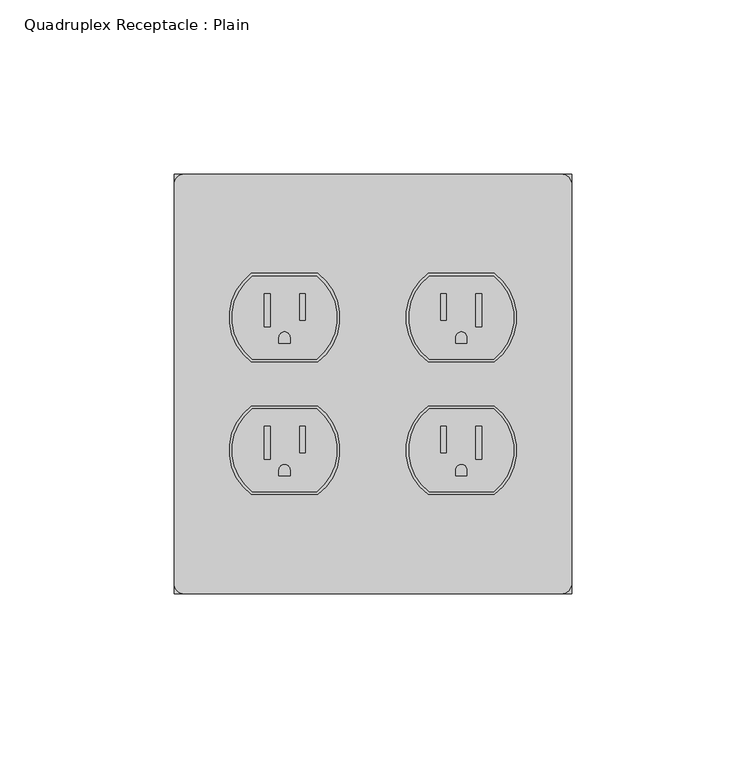
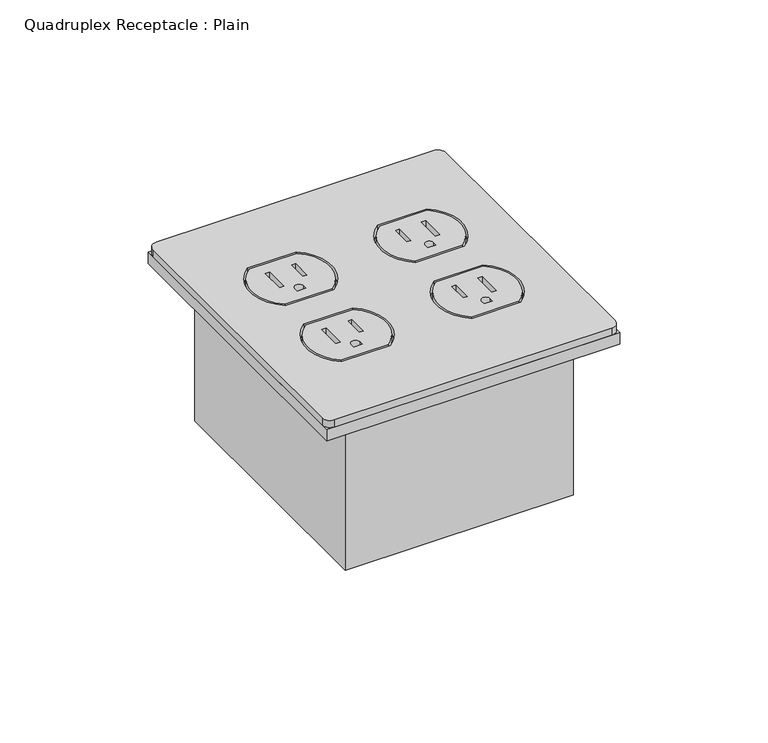
"""IFC4 building model written with IfcOpenShell, lengths in millimetres: proxy geometry, Quadruplex Receptacle : Plain."""

from ifc_helpers import new_model, si_unit, point, frame, frame_2d, origin, origin_with_axes, place, context, project, spatial, polyline, circle_curve, trimmed, segment, composite_curve, outline, extrude, source, transform, mapped, element, save


def quadruplex_receptacle_plain_eb53abe8(model_context):
    return source(origin(), model_context, "Body", "SweptSolid", [
        extrude(outline(composite_curve([segment(polyline([(16.1433639, -29.36875), (34.6566361, -29.36875)]), True, "CONTINUOUS"), segment(trimmed(circle_curve(frame_2d((25.4, -41.275)), 15.08125), [point((34.6566361, -29.36875))], [point((34.6566361, -53.18125))], False, "CARTESIAN"), True, "CONTINUOUS"), segment(polyline([(34.6566361, -53.18125), (16.1433639, -53.18125)]), True, "CONTINUOUS"), segment(trimmed(circle_curve(frame_2d((25.4, -41.275)), 15.08125), [point((16.1433639, -53.18125))], [point((16.1433639, -29.36875))], False, "CARTESIAN"), True, "CONTINUOUS")], self_intersect=False), holes=[polyline([(29.5419571, -34.3585778), (29.5419571, -43.8730246), (31.2300041, -43.8730246), (31.2300041, -34.3585778), (29.5419571, -34.3585778)]), polyline([(19.4904045, -34.3585778), (19.4904045, -42.0315188), (21.0249927, -42.0315188), (21.0249927, -34.3585778), (19.4904045, -34.3585778)]), composite_curve([segment(polyline([(23.8125, -48.626489), (26.9875, -48.626489), (26.9875, -46.9479736)]), True, "CONTINUOUS"), segment(trimmed(circle_curve(frame_2d((25.4, -46.9479736)), 1.5875), [point((26.9875, -46.9479736))], [point((23.8125, -46.9479736))], True, "CARTESIAN"), True, "CONTINUOUS"), segment(polyline([(23.8125, -46.9479736), (23.8125, -48.626489)]), True, "CONTINUOUS")], self_intersect=False)]), origin_with_axes(), (0.0, 0.0, 1.0), 2.9176759),
        extrude(outline(composite_curve([segment(polyline([(16.1433639, -67.46875), (34.6566361, -67.46875)]), True, "CONTINUOUS"), segment(trimmed(circle_curve(frame_2d((25.4, -79.375)), 15.08125), [point((34.6566361, -67.46875))], [point((34.6566361, -91.28125))], False, "CARTESIAN"), True, "CONTINUOUS"), segment(polyline([(34.6566361, -91.28125), (16.1433639, -91.28125)]), True, "CONTINUOUS"), segment(trimmed(circle_curve(frame_2d((25.4, -79.375)), 15.08125), [point((16.1433639, -91.28125))], [point((16.1433639, -67.46875))], False, "CARTESIAN"), True, "CONTINUOUS")], self_intersect=False), holes=[polyline([(29.5419571, -72.4585778), (29.5419571, -81.9730246), (31.2300041, -81.9730246), (31.2300041, -72.4585778), (29.5419571, -72.4585778)]), polyline([(19.4904045, -72.4585778), (19.4904045, -80.1315188), (21.0249927, -80.1315188), (21.0249927, -72.4585778), (19.4904045, -72.4585778)]), composite_curve([segment(polyline([(23.8125, -86.726489), (26.9875, -86.726489), (26.9875, -85.0479736)]), True, "CONTINUOUS"), segment(trimmed(circle_curve(frame_2d((25.4, -85.0479736)), 1.5875), [point((26.9875, -85.0479736))], [point((23.8125, -85.0479736))], True, "CARTESIAN"), True, "CONTINUOUS"), segment(polyline([(23.8125, -85.0479736), (23.8125, -86.726489)]), True, "CONTINUOUS")], self_intersect=False)]), origin_with_axes(), (0.0, 0.0, 1.0), 2.9176759),
        extrude(outline(composite_curve([segment(trimmed(circle_curve(frame_2d((-25.4, -41.275)), 15.08125), [point((-16.1433639, -29.36875))], [point((-16.1433639, -53.18125))], False, "CARTESIAN"), True, "CONTINUOUS"), segment(polyline([(-16.1433639, -53.18125), (-34.6566361, -53.18125)]), True, "CONTINUOUS"), segment(trimmed(circle_curve(frame_2d((-25.4, -41.275)), 15.08125), [point((-34.6566361, -53.18125))], [point((-34.6566361, -29.36875))], False, "CARTESIAN"), True, "CONTINUOUS"), segment(polyline([(-34.6566361, -29.36875), (-16.1433639, -29.36875)]), True, "CONTINUOUS")], self_intersect=False), holes=[polyline([(-29.5419571, -34.3585778), (-31.2300041, -34.3585778), (-31.2300041, -43.8730246), (-29.5419571, -43.8730246), (-29.5419571, -34.3585778)]), polyline([(-19.4904045, -34.3585778), (-21.0249927, -34.3585778), (-21.0249927, -42.0315188), (-19.4904045, -42.0315188), (-19.4904045, -34.3585778)]), composite_curve([segment(polyline([(-23.8125, -48.626489), (-23.8125, -46.9479736)]), True, "CONTINUOUS"), segment(trimmed(circle_curve(frame_2d((-25.4, -46.9479736)), 1.5875), [point((-23.8125, -46.9479736))], [point((-26.9875, -46.9479736))], True, "CARTESIAN"), True, "CONTINUOUS"), segment(polyline([(-26.9875, -46.9479736), (-26.9875, -48.626489), (-23.8125, -48.626489)]), True, "CONTINUOUS")], self_intersect=False)]), origin_with_axes(), (0.0, 0.0, 1.0), 2.9176759),
        extrude(outline(composite_curve([segment(trimmed(circle_curve(frame_2d((-25.4, -79.375)), 15.08125), [point((-16.1433639, -67.46875))], [point((-16.1433639, -91.28125))], False, "CARTESIAN"), True, "CONTINUOUS"), segment(polyline([(-16.1433639, -91.28125), (-34.6566361, -91.28125)]), True, "CONTINUOUS"), segment(trimmed(circle_curve(frame_2d((-25.4, -79.375)), 15.08125), [point((-34.6566361, -91.28125))], [point((-34.6566361, -67.46875))], False, "CARTESIAN"), True, "CONTINUOUS"), segment(polyline([(-34.6566361, -67.46875), (-16.1433639, -67.46875)]), True, "CONTINUOUS")], self_intersect=False), holes=[polyline([(-29.5419571, -72.4585778), (-31.2300041, -72.4585778), (-31.2300041, -81.9730246), (-29.5419571, -81.9730246), (-29.5419571, -72.4585778)]), polyline([(-19.4904045, -72.4585778), (-21.0249927, -72.4585778), (-21.0249927, -80.1315188), (-19.4904045, -80.1315188), (-19.4904045, -72.4585778)]), composite_curve([segment(polyline([(-23.8125, -86.726489), (-23.8125, -85.0479736)]), True, "CONTINUOUS"), segment(trimmed(circle_curve(frame_2d((-25.4, -85.0479736)), 1.5875), [point((-23.8125, -85.0479736))], [point((-26.9875, -85.0479736))], True, "CARTESIAN"), True, "CONTINUOUS"), segment(polyline([(-26.9875, -85.0479736), (-26.9875, -86.726489), (-23.8125, -86.726489)]), True, "CONTINUOUS")], self_intersect=False)]), origin_with_axes(), (0.0, 0.0, 1.0), 2.9176759),
        extrude(outline(composite_curve([segment(trimmed(circle_curve(frame_2d((-53.975, -117.475)), 3.175), [point((-53.975, -120.65))], [point((-57.15, -117.475))], False, "CARTESIAN"), True, "CONTINUOUS"), segment(polyline([(-57.15, -117.475), (-57.15, -3.175)]), True, "CONTINUOUS"), segment(trimmed(circle_curve(frame_2d((-53.975, -3.175)), 3.175), [point((-57.15, -3.175))], [point((-53.975, 0.0))], False, "CARTESIAN"), True, "CONTINUOUS"), segment(polyline([(-53.975, 0.0), (53.975, 0.0)]), True, "CONTINUOUS"), segment(trimmed(circle_curve(frame_2d((53.975, -3.175)), 3.175), [point((53.975, 0.0))], [point((57.15, -3.175))], False, "CARTESIAN"), True, "CONTINUOUS"), segment(polyline([(57.15, -3.175), (57.15, -117.475)]), True, "CONTINUOUS"), segment(trimmed(circle_curve(frame_2d((53.975, -117.475)), 3.175), [point((57.15, -117.475))], [point((53.975, -120.65))], False, "CARTESIAN"), True, "CONTINUOUS"), segment(polyline([(53.975, -120.65), (-53.975, -120.65)]), True, "CONTINUOUS")], self_intersect=False), holes=[composite_curve([segment(polyline([(-15.875, -28.575), (-34.925, -28.575)]), True, "CONTINUOUS"), segment(trimmed(circle_curve(frame_2d((-25.4, -41.275)), 15.875), [point((-34.925, -28.575))], [point((-34.925, -53.975))], True, "CARTESIAN"), True, "CONTINUOUS"), segment(polyline([(-34.925, -53.975), (-15.875, -53.975)]), True, "CONTINUOUS"), segment(trimmed(circle_curve(frame_2d((-25.4, -41.275)), 15.875), [point((-15.875, -53.975))], [point((-15.875, -28.575))], True, "CARTESIAN"), True, "CONTINUOUS")], self_intersect=False), composite_curve([segment(polyline([(-15.875, -66.675), (-34.925, -66.675)]), True, "CONTINUOUS"), segment(trimmed(circle_curve(frame_2d((-25.4, -79.375)), 15.875), [point((-34.925, -66.675))], [point((-34.925, -92.075))], True, "CARTESIAN"), True, "CONTINUOUS"), segment(polyline([(-34.925, -92.075), (-15.875, -92.075)]), True, "CONTINUOUS"), segment(trimmed(circle_curve(frame_2d((-25.4, -79.375)), 15.875), [point((-15.875, -92.075))], [point((-15.875, -66.675))], True, "CARTESIAN"), True, "CONTINUOUS")], self_intersect=False), composite_curve([segment(trimmed(circle_curve(frame_2d((25.4, -41.275)), 15.875), [point((15.875, -28.575))], [point((15.875, -53.975))], True, "CARTESIAN"), True, "CONTINUOUS"), segment(polyline([(15.875, -53.975), (34.925, -53.975)]), True, "CONTINUOUS"), segment(trimmed(circle_curve(frame_2d((25.4, -41.275)), 15.875), [point((34.925, -53.975))], [point((34.925, -28.575))], True, "CARTESIAN"), True, "CONTINUOUS"), segment(polyline([(34.925, -28.575), (15.875, -28.575)]), True, "CONTINUOUS")], self_intersect=False), composite_curve([segment(trimmed(circle_curve(frame_2d((25.4, -79.375)), 15.875), [point((15.875, -66.675))], [point((15.875, -92.075))], True, "CARTESIAN"), True, "CONTINUOUS"), segment(polyline([(15.875, -92.075), (34.925, -92.075)]), True, "CONTINUOUS"), segment(trimmed(circle_curve(frame_2d((25.4, -79.375)), 15.875), [point((34.925, -92.075))], [point((34.925, -66.675))], True, "CARTESIAN"), True, "CONTINUOUS"), segment(polyline([(34.925, -66.675), (15.875, -66.675)]), True, "CONTINUOUS")], self_intersect=False)]), origin_with_axes(), (0.0, 0.0, 1.0), 2.9176759),
        extrude(outline(polyline([(57.15, 0.0), (57.15, -120.65), (-57.15, -120.65), (-57.15, 0.0), (57.15, 0.0)])), frame((0.0, 0.0, -4.7625), z_axis=(0.0, 0.0, 1.0), x_axis=(1.0, 0.0, 0.0)), (0.0, 0.0, 1.0), 4.7625),
        extrude(outline(polyline([(44.45, -9.525), (44.45, -111.125), (-44.45, -111.125), (-44.45, -9.525), (44.45, -9.525)])), frame((0.0, 0.0, -68.2625), z_axis=(0.0, 0.0, 1.0), x_axis=(1.0, 0.0, 0.0)), (0.0, 0.0, 1.0), 63.5),
    ])


if __name__ == "__main__":
    model = new_model("IFC4")
    model_context = context("Model", 3, world=origin())
    ifc_project = project(units=[si_unit("LENGTHUNIT", "METRE", prefix="MILLI")], contexts=[model_context])
    site = spatial("IfcSite", under=ifc_project)
    building = spatial("IfcBuilding", under=site)
    placement = place(None, origin())
    quadruplex_receptacle_plain_shape = quadruplex_receptacle_plain_eb53abe8(model_context)
    element("IfcBuildingElementProxy", 1, Name="Quadruplex Receptacle : Plain", ObjectType="Quadruplex Receptacle : Plain", at=placement, inside=building, context=model_context, shape_type="MappedRepresentation", body=[
        mapped(quadruplex_receptacle_plain_shape, transform((0.0, 0.0, 0.0), x_axis=(1.0, 0.0, 0.0), y_axis=(0.0, 1.0, 0.0), z_axis=(0.0, 0.0, 1.0))),
    ])
    save(model, "model.ifc")
